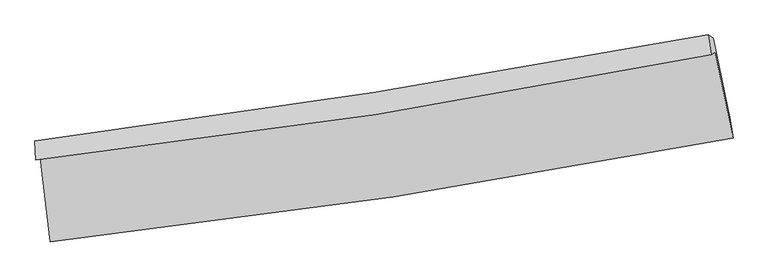
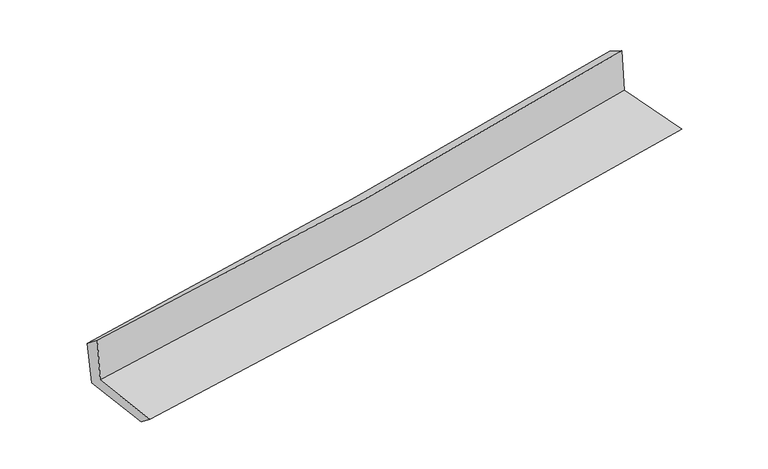
"""IFC4 building model written with IfcOpenShell, lengths in millimetres: proxy geometry."""

from ifc_helpers import new_model, si_unit, frame, origin, place, context, project, spatial, source, transform, mapped, element, save
from ifc_brep_helpers import plane_surface, spline_curve, spline_surface, advanced_brep


def generic_models_b826bcd8(model_context):
    return source(origin(), model_context, "Body", "AdvancedBrep", [
        advanced_brep(
        [(-2718.15119, -1891.0174219, 1645.4328268), (-2639.8784559, -2560.5464201, 1633.2737635), (2797.1332133, -1734.6791928, 2095.7045507), (2655.7624378, -1049.8034394, 2113.0596841), (-2753.2031768, -1909.6379516, 2057.6897115), (2621.3324116, -1068.4076151, 2525.2214128), (-2760.1102487, -1755.9688013, 1937.9288411), (2597.717936, -911.5084185, 2434.6129718), (-2723.2297536, -1767.3183411, 1543.693448), (2641.1203781, -938.2230651, 2025.4238692), (-2646.0160044, -2427.7889988, 1531.6988898), (2774.7023286, -1589.710921, 2018.5858728)],
        [
            (0, 1),
            (1, 2, spline_curve(3, [(-2639.8784559, -2560.5464201, 1633.2737635), (-1726.867332807, -2460.275226514, 1722.471088442), (-815.922845951, -2341.05391266, 1805.703528144), (996.389697628, -2065.538536781, 1959.775892019), (1897.78243406, -1909.470774711, 2030.687047756), (2797.1332133, -1734.6791928, 2095.7045507)], [4, 2, 4], [0.0, 9.033845379089703, 18.013588174642802])),
            (2, 3),
            (3, 0, spline_curve(3, [(2655.7624378, -1049.8034394, 2113.0596841), (1769.071320307, -1227.803513644, 2034.275444335), (879.254058493, -1386.75156568, 1956.029837245), (-912.012700838, -1667.386493386, 1800.147708211), (-1813.4999817, -1788.843102136, 1722.517695922), (-2718.15119, -1891.0174219, 1645.4328268)], [4, 2, 4], [0.0, 8.979742795553099, 18.013588174642802])),
            (4, 0),
            (3, 5),
            (5, 4, spline_curve(3, [(2621.3324116, -1068.4076151, 2525.2214128), (1734.810980302, -1246.235842362, 2443.093277649), (845.027297321, -1405.099067586, 2363.178583409), (-946.445137398, -1685.738395094, 2207.307931117), (-1848.173317148, -1807.285281816, 2131.378724464), (-2753.2031768, -1909.6379516, 2057.6897115)], [4, 2, 4], [0.0, 8.931750378132296, 17.917314187446642])),
            (6, 4),
            (5, 7),
            (7, 6, spline_curve(3, [(2597.717936, -911.5084185, 2434.6129718), (1712.117415572, -1078.992141474, 2351.370510335), (824.179504184, -1232.93513604, 2268.482181558), (-961.734974119, -1514.585586278, 2102.916524482), (-1859.739790621, -1642.129386218, 2020.243476393), (-2760.1102487, -1755.9688013, 1937.9288411)], [4, 2, 4], [0.0, 8.92063992985436, 17.895026350893737])),
            (8, 6),
            (7, 9),
            (9, 8, spline_curve(3, [(2641.1203781, -938.2230651, 2025.4238692), (1754.475854487, -1107.801266739, 1949.405825562), (865.474137733, -1261.521900158, 1871.379222952), (-922.614083557, -1538.078649978, 1710.82669167), (-1821.729077162, -1660.723108506, 1628.276487152), (-2723.2297536, -1767.3183411, 1543.693448)], [4, 2, 4], [0.0, 8.911599643154107, 17.87689131013514])),
            (10, 8),
            (9, 11),
            (11, 10, spline_curve(3, [(2774.7023286, -1589.710921, 2018.5858728), (1879.837735885, -1771.109335555, 1941.518127165), (982.044464339, -1931.501903169, 1862.53796125), (-824.8262503, -2211.115143729, 1700.265414422), (-1733.939089561, -2330.0819353, 1616.949919248), (-2646.0160044, -2427.7889988, 1531.6988898)], [4, 2, 4], [0.0, 8.961541355151837, 17.977075630905357])),
            (1, 10),
            (11, 2),
        ],
        [
            spline_surface(3, 3, [[(-2718.15119, -1891.0174219, 1645.4328268), (-1813.499981748, -1788.84310215, 1722.51769599), (-912.012700843, -1667.386493399, 1800.147708154), (879.254058497, -1386.751565667, 1956.029837302), (1769.07132019, -1227.803513579, 2034.275444214), (2655.7624378, -1049.8034394, 2113.0596841)], [(-2692.060278631, -2114.19375461, 1641.379805707), (-1784.622432055, -2012.653810215, 1722.50216012), (-879.982749174, -1891.94229981, 1801.999648153), (918.299271562, -1613.013889349, 1957.278522167), (1811.975024767, -1455.025933943, 2033.079312082), (2702.886029634, -1278.095357197, 2107.274639622)], [(-2665.969367269, -2337.37008739, 1637.326784593), (-1755.74488237, -2236.464518348, 1722.486624228), (-847.952797594, -2116.498106269, 1803.851588209), (957.344484538, -1839.276213078, 1958.52720709), (1854.878729342, -1682.248354316, 2031.883179985), (2750.009621466, -1506.387275003, 2101.489595178)], [(-2639.8784559, -2560.5464201, 1633.2737635), (-1726.867332678, -2460.275226413, 1722.471088357), (-815.922845926, -2341.053912681, 1805.703528208), (996.389697603, -2065.53853676, 1959.775891956), (1897.78243392, -1909.47077468, 2030.687047853), (2797.1332133, -1734.6791928, 2095.7045507)]], [4, 4], [4, 2, 4], [0.0, 2.2459665837293805], [0.0, 9.033845379089703, 18.013588174642802]),
            spline_surface(3, 3, [[(-2753.2031768, -1909.6379516, 2057.6897115), (-1848.17331709, -1807.285281908, 2131.378724578), (-946.445137303, -1685.73839499, 2207.307930983), (845.027297226, -1405.099067689, 2363.178583542), (1734.81098021, -1246.235842393, 2443.093277587), (2621.3324116, -1068.4076151, 2525.2214128)], [(-2741.519181184, -1903.431108387, 1920.270749924), (-1836.615538627, -1801.137888676, 1995.091715039), (-934.967658493, -1679.62109448, 2071.587856718), (856.43621764, -1398.983233702, 2227.462334806), (1746.231093539, -1240.091732788, 2306.820666473), (2632.809087002, -1062.2062232, 2387.834169911)], [(-2729.835185616, -1897.224265113, 1782.851788376), (-1825.057760211, -1794.990495382, 1858.804705529), (-923.490179652, -1673.503793909, 1935.86778242), (867.845138084, -1392.867399654, 2091.746086038), (1757.651206861, -1233.947623184, 2170.548055328), (2644.285762398, -1056.0048313, 2250.446926989)], [(-2718.15119, -1891.0174219, 1645.4328268), (-1813.499981748, -1788.84310215, 1722.51769599), (-912.012700843, -1667.386493399, 1800.147708154), (879.254058497, -1386.751565667, 1956.029837302), (1769.07132019, -1227.803513579, 2034.275444214), (2655.7624378, -1049.8034394, 2113.0596841)]], [4, 4], [4, 2, 4], [0.0, 1.3419000774662997], [0.0, 8.985563809314346, 17.917314187446642]),
            spline_surface(3, 3, [[(-2760.1102487, -1755.9688013, 1937.9288411), (-1859.739790659, -1642.129386083, 2020.243476322), (-961.734973974, -1514.585586404, 2102.916524507), (824.179504041, -1232.935135915, 2268.482181534), (1712.117415584, -1078.992141372, 2351.370510249), (2597.717936, -911.5084185, 2434.6129718)], [(-2757.807891426, -1807.191851385, 1977.849131234), (-1855.884299495, -1697.181351343, 2057.288559075), (-956.638361745, -1571.636522588, 2137.713660007), (831.128768442, -1290.323113162, 2300.047648877), (1719.681937112, -1134.740041745, 2381.944766021), (2605.589427852, -963.808150732, 2464.81578546)], [(-2755.505534074, -1858.414901515, 2017.769421366), (-1852.028808253, -1752.233316648, 2094.333641825), (-951.541749532, -1628.687458806, 2172.510795484), (838.078032825, -1347.711090443, 2331.613116198), (1727.246458683, -1190.487942021, 2412.519021815), (2613.460919748, -1016.107882868, 2495.01859914)], [(-2753.2031768, -1909.6379516, 2057.6897115), (-1848.17331709, -1807.285281908, 2131.378724578), (-946.445137303, -1685.73839499, 2207.307930983), (845.027297226, -1405.099067689, 2363.178583542), (1734.81098021, -1246.235842393, 2443.093277587), (2621.3324116, -1068.4076151, 2525.2214128)]], [4, 4], [4, 2, 4], [0.0, 0.653753578504634], [0.0, 8.974386421039377, 17.895026350893737]),
            spline_surface(3, 3, [[(-2723.2297536, -1767.3183411, 1543.693448), (-1821.729077144, -1660.72310863, 1628.276487169), (-922.614083417, -1538.078650093, 1710.826691715), (865.474137595, -1261.521900045, 1871.379222908), (1754.475854441, -1107.801266615, 1949.405825416), (2641.1203781, -938.2230651, 2025.4238692)], [(-2735.52325194, -1763.535161173, 1675.105245703), (-1834.399314956, -1654.525201121, 1758.932150224), (-935.654380272, -1530.247628874, 1841.523302646), (851.709259741, -1251.992978679, 2003.746875783), (1740.356374855, -1098.198224867, 2083.39405369), (2626.652897433, -929.3181829, 2161.82023673)], [(-2747.81675036, -1759.751981227, 1806.517043397), (-1847.069552847, -1648.327293592, 1889.587813268), (-948.69467712, -1522.416607623, 1972.219913576), (837.944381894, -1242.464057281, 2136.114528658), (1726.236895171, -1088.59518312, 2217.382281975), (2612.185416667, -920.4133007, 2298.21660427)], [(-2760.1102487, -1755.9688013, 1937.9288411), (-1859.739790659, -1642.129386083, 2020.243476322), (-961.734973974, -1514.585586404, 2102.916524507), (824.179504041, -1232.935135915, 2268.482181534), (1712.117415584, -1078.992141372, 2351.370510249), (2597.717936, -911.5084185, 2434.6129718)]], [4, 4], [4, 2, 4], [0.0, 1.3040581301171592], [0.0, 8.965291666981033, 17.87689131013514]),
            spline_surface(3, 3, [[(-2646.0160044, -2427.7889988, 1531.6988898), (-1733.939089482, -2330.081935421, 1616.949919204), (-824.826250156, -2211.115143708, 1700.265414299), (982.044464196, -1931.50190319, 1862.537961373), (1879.837735859, -1771.109335628, 1941.51812727), (2774.7023286, -1589.710921, 2018.5858728)], [(-2671.753920815, -2207.632112908, 1535.697075859), (-1763.202418718, -2106.962326499, 1620.725441852), (-857.422194575, -1986.769645805, 1703.785840089), (943.187688663, -1708.175235445, 1865.485048536), (1838.050442029, -1550.006645943, 1944.147359981), (2730.175011743, -1372.548302353, 2020.865204929)], [(-2697.491837185, -1987.475226992, 1539.695261941), (-1792.465747908, -1883.842717553, 1624.500964521), (-890.018138998, -1762.424147995, 1707.306265925), (904.330913127, -1484.84856779, 1868.432135745), (1796.263148271, -1328.903956299, 1946.776592705), (2685.647694957, -1155.385683747, 2023.144537071)], [(-2723.2297536, -1767.3183411, 1543.693448), (-1821.729077144, -1660.72310863, 1628.276487169), (-922.614083417, -1538.078650093, 1710.826691715), (865.474137595, -1261.521900045, 1871.379222908), (1754.475854441, -1107.801266615, 1949.405825416), (2641.1203781, -938.2230651, 2025.4238692)]], [4, 4], [4, 2, 4], [0.0, 2.231224283986501], [0.0, 9.01553427575352, 17.977075630905357]),
            spline_surface(3, 3, [[(-2639.8784559, -2560.5464201, 1633.2737635), (-1726.867332678, -2460.275226413, 1722.471088357), (-815.922845926, -2341.053912681, 1805.703528208), (996.389697603, -2065.53853676, 1959.775891956), (1897.78243392, -1909.47077468, 2030.687047853), (2797.1332133, -1734.6791928, 2095.7045507)], [(-2641.924305403, -2516.293946336, 1599.415472272), (-1729.224584949, -2416.877462752, 1687.297365311), (-818.89064736, -2297.740989717, 1770.557490254), (991.60795311, -2020.859658931, 1927.363248444), (1891.800867902, -1863.35029498, 2000.964074342), (2789.656251736, -1686.356435518, 2069.99832475)], [(-2643.970154897, -2472.041472564, 1565.557181028), (-1731.58183721, -2373.479699082, 1652.12364225), (-821.858448722, -2254.428066672, 1735.411452253), (986.826208689, -1976.18078102, 1894.950604884), (1885.819301876, -1817.229815327, 1971.241100781), (2782.179290164, -1638.033678282, 2044.29209875)], [(-2646.0160044, -2427.7889988, 1531.6988898), (-1733.939089482, -2330.081935421, 1616.949919204), (-824.826250156, -2211.115143708, 1700.265414299), (982.044464196, -1931.50190319, 1862.537961373), (1879.837735859, -1771.109335628, 1941.51812727), (2774.7023286, -1589.710921, 2018.5858728)]], [4, 4], [4, 2, 4], [0.0, 0.5472872822185632], [0.0, 9.073008678073347, 18.091680228452432]),
            plane_surface(frame((2681.2947842, -1215.3887753, 2202.1013936), z_axis=(0.9757859551703333, 0.19912657871224615, 0.0905006924983237), x_axis=(-0.10525611706996835, 0.06478621571219309, 0.9923325531660474))),
            plane_surface(frame((-2706.7648049, -2052.0463225, 1724.9529134), z_axis=(-0.9894549432363795, -0.11405299665571685, -0.08927950077674171), x_axis=(-0.116097470565426, 0.9930740766714993, 0.01803484325851743))),
        ],
        [
            (0, [[1, 2, 3, 4]]),
            (1, [[5, -4, 6, 7]]),
            (2, [[8, -7, 9, 10]]),
            (3, [[11, -10, 12, 13]]),
            (4, [[14, -13, 15, 16]]),
            (5, [[17, -16, 18, -2]]),
            (6, [[-12, -9, -6, -3, -18, -15]]),
            (7, [[-1, -5, -8, -11, -14, -17]]),
        ],
    ),
    ])


if __name__ == "__main__":
    model = new_model("IFC4")
    model_context = context("Model", 3, world=origin())
    ifc_project = project(units=[si_unit("LENGTHUNIT", "METRE", prefix="MILLI")], contexts=[model_context])
    site = spatial("IfcSite", under=ifc_project)
    building = spatial("IfcBuilding", under=site)
    placement = place(None, origin())
    generic_models_shape = generic_models_b826bcd8(model_context)
    element("IfcBuildingElementProxy", 1, Name="Generic Models", at=placement, inside=building, context=model_context, shape_type="MappedRepresentation", body=[
        mapped(generic_models_shape, transform((0.0, 0.0, 0.0), x_axis=(1.0, 0.0, 0.0), y_axis=(0.0, 1.0, 0.0), z_axis=(0.0, 0.0, 1.0))),
    ])
    save(model, "model.ifc")
